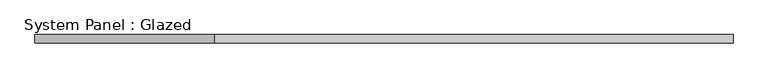
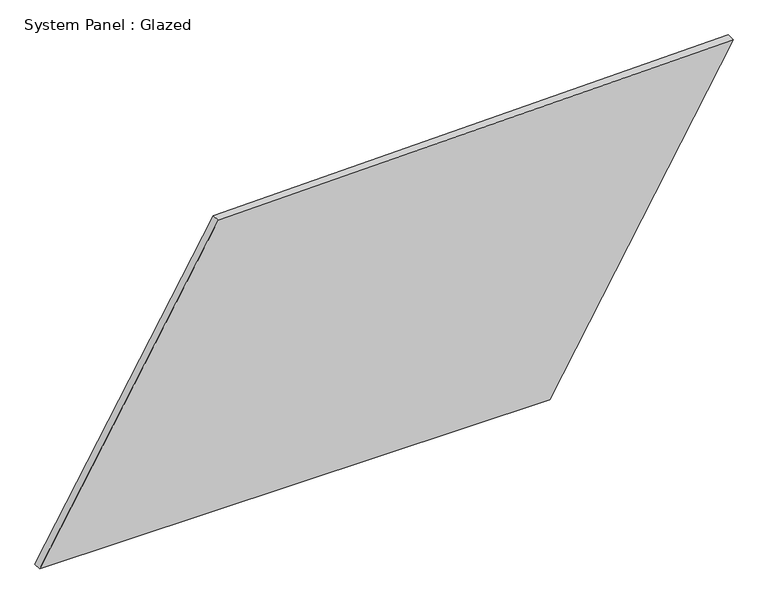
"""IFC4 building model written with IfcOpenShell, lengths in millimetres: plate geometry, System Panel : Glazed."""

import ifcopenshell
import ifcopenshell.guid

model = None  # the IFC model being written
_history = None  # IfcOwnerHistory: only IFC2X3 demands one
_inside = {}  # id of a spatial element -> (the spatial element, [elements in it])
_under = {}  # id of a project, library or spatial element -> (it, [spatial elements below it])
_declared = {}  # id of a project -> (the project, [libraries it declares])
_typed = {}  # id of a type object -> (the type object, [elements of that type])
_made_of = {}  # id of a material, layer set ... -> (it, [elements and type objects made of it])


def new_model(schema):
    """Start an empty IFC model of exactly this schema.

    Asked for "IFC4X3", IfcOpenShell would pick the latest addendum, in which some entities
    have other attributes; the version numbers below select the first issue.
    IFC2X3 requires an IfcOwnerHistory on every rooted entity: one is made here for all.
    """
    global model, _history
    if schema == "IFC4X3":
        model = ifcopenshell.file(schema_version=(4, 3, 0, 0))
    else:
        model = ifcopenshell.file(schema=schema)
    _inside.clear()
    _under.clear()
    _declared.clear()
    _typed.clear()
    _made_of.clear()
    _history = None
    if model.schema == "IFC2X3":
        org = make("IfcOrganization", Name="unknown")
        user = make(
            "IfcPersonAndOrganization",
            ThePerson=make("IfcPerson", FamilyName="unknown"),
            TheOrganization=org,
        )
        app = make(
            "IfcApplication",
            ApplicationDeveloper=org,
            Version="unknown",
            ApplicationFullName="unknown",
            ApplicationIdentifier="unknown",
        )
        _history = make(
            "IfcOwnerHistory",
            OwningUser=user,
            OwningApplication=app,
            ChangeAction="ADDED",
            CreationDate=0,
        )
    return model


def make(cls, **values):
    """One entity of the class cls with the attributes given. An attribute that is None is left unset."""
    return model.create_entity(
        cls, **{name: value for name, value in values.items() if value is not None}
    )


def rooted(cls, **values):
    """An entity with a GlobalId (a new one), such as an element, a storey or a relation."""
    return make(cls, GlobalId=ifcopenshell.guid.new(), OwnerHistory=_history, **values)


def si_unit(unit_type, name, prefix=None):
    """IfcSIUnit, for example si_unit("LENGTHUNIT", "METRE", prefix="MILLI")."""
    return make("IfcSIUnit", UnitType=unit_type, Prefix=prefix, Name=name)


def assignment(units):
    """IfcUnitAssignment: the units of a project."""
    return None if units is None else make("IfcUnitAssignment", Units=units)


def point(xyz):
    """IfcCartesianPoint."""
    return None if xyz is None else make("IfcCartesianPoint", Coordinates=xyz)


def direction(xyz):
    """IfcDirection."""
    return None if xyz is None else make("IfcDirection", DirectionRatios=xyz)


def frame(location, z_axis=None, x_axis=None):
    """IfcAxis2Placement3D, a coordinate frame: its origin and axes. An axis left out is left unset."""
    return make(
        "IfcAxis2Placement3D",
        Location=point(location),
        Axis=direction(z_axis),
        RefDirection=direction(x_axis),
    )


def origin():
    """The frame at (0, 0, 0) with its axes left unset."""
    return frame((0.0, 0.0, 0.0))


def place(relative_to, where):
    """IfcLocalPlacement: puts the frame where relative to a parent placement (None: the world)."""
    return make(
        "IfcLocalPlacement", PlacementRelTo=relative_to, RelativePlacement=where
    )


def context(
    kind, dimensions, precision=None, world=None, true_north=None, identifier=None
):
    """IfcGeometricRepresentationContext, for example the 3D "Model" context."""
    return make(
        "IfcGeometricRepresentationContext",
        ContextIdentifier=identifier,
        ContextType=kind,
        CoordinateSpaceDimension=dimensions,
        Precision=precision,
        WorldCoordinateSystem=world,
        TrueNorth=true_north,
    )


def project(units=None, contexts=None):
    """IfcProject with its units and contexts."""
    return rooted(
        "IfcProject",
        Name="project",
        RepresentationContexts=contexts,
        UnitsInContext=assignment(units),
    )


def spatial(cls, under=None, at=None, **own):
    """A site, building, storey or space (cls), placed at a placement, below another one or the project."""
    s = rooted(cls, ObjectPlacement=at, **own)
    if under is not None:
        _under.setdefault(under.id(), (under, []))[1].append(s)
    return s


def polyline(points):
    """IfcPolyline through the points."""
    return make("IfcPolyline", Points=[point(p) for p in points])


def outline(outer, holes=None, kind="AREA"):
    """IfcArbitraryClosedProfileDef: a profile drawn as a closed curve; with holes, ...WithVoids."""
    if holes is None:
        return make("IfcArbitraryClosedProfileDef", ProfileType=kind, OuterCurve=outer)
    return make(
        "IfcArbitraryProfileDefWithVoids",
        ProfileType=kind,
        OuterCurve=outer,
        InnerCurves=holes,
    )


def extrude(swept, where, along, depth):
    """IfcExtrudedAreaSolid: the profile swept, set in the frame where, extruded along a direction by depth."""
    return make(
        "IfcExtrudedAreaSolid",
        SweptArea=swept,
        Position=where,
        ExtrudedDirection=direction(along),
        Depth=depth,
    )


def shape(context_of_items, identifier, shape_type, items):
    """IfcShapeRepresentation: the items that make up one representation, for example the "Body"."""
    return make(
        "IfcShapeRepresentation",
        ContextOfItems=context_of_items,
        RepresentationIdentifier=identifier,
        RepresentationType=shape_type,
        Items=items,
    )


def source(mapping_origin, context_of_items, identifier, shape_type, items):
    """IfcRepresentationMap: a shape defined once, which mapped items show again and again."""
    return make(
        "IfcRepresentationMap",
        MappingOrigin=mapping_origin,
        MappedRepresentation=shape(context_of_items, identifier, shape_type, items),
    )


def transform(
    local_origin,
    x_axis=None,
    y_axis=None,
    z_axis=None,
    scale=None,
    scale2=None,
    scale3=None,
    uniform=True,
):
    """IfcCartesianTransformationOperator3D, or its non-uniform kind. x_axis, y_axis, z_axis: its Axis1, 2, 3."""
    if uniform:
        return make(
            "IfcCartesianTransformationOperator3D",
            Axis1=direction(x_axis),
            Axis2=direction(y_axis),
            LocalOrigin=point(local_origin),
            Scale=scale,
            Axis3=direction(z_axis),
        )
    return make(
        "IfcCartesianTransformationOperator3DnonUniform",
        Axis1=direction(x_axis),
        Axis2=direction(y_axis),
        LocalOrigin=point(local_origin),
        Scale=scale,
        Axis3=direction(z_axis),
        Scale2=scale2,
        Scale3=scale3,
    )


def mapped(mapping_source, mapping_target):
    """IfcMappedItem: shows the shape of a source again, moved by a transform."""
    return make(
        "IfcMappedItem", MappingSource=mapping_source, MappingTarget=mapping_target
    )


def made_of(thing, what):
    """Note that an element or type object is made of a material, layer set ...; save() writes the relation."""
    if what is not None:
        _made_of.setdefault(what.id(), (what, []))[1].append(thing)
    return thing


def element(
    cls,
    number,
    at=None,
    inside=None,
    cuts=None,
    type_object=None,
    material=None,
    context=None,
    identifier="Body",
    shape_type=None,
    held_by="IfcProductDefinitionShape",
    body=None,
    shapes=None,
    **own,
):
    """One element of the class cls, such as IfcWall. Its Tag is "e" and its number.

    at: its placement. inside: the storey or other place that contains it. cuts: it is an
    opening in that element (IfcRelVoidsElement). A single representation is given by context,
    identifier, shape_type and body (its items); several are given by shapes. held_by: the class
    of the entity that holds the representations. save() writes the other relations.
    """
    e = rooted(cls, Tag="e%d" % number, ObjectPlacement=at, **own)
    if body is not None:
        shapes = [shape(context, identifier, shape_type, body)]
    if shapes is not None:
        e.Representation = make(held_by, Representations=shapes)
    if inside is not None:
        _inside.setdefault(inside.id(), (inside, []))[1].append(e)
    if cuts is not None:
        rooted(
            "IfcRelVoidsElement", RelatingBuildingElement=cuts, RelatedOpeningElement=e
        )
    if type_object is not None:
        _typed.setdefault(type_object.id(), (type_object, []))[1].append(e)
    return made_of(e, material)


def aggregate(whole, parts):
    """IfcRelAggregates: a whole, such as a stair, and the parts it consists of."""
    return rooted("IfcRelAggregates", RelatingObject=whole, RelatedObjects=parts)


def save(model, path):
    """Write the relations noted so far, then the file.

    IfcRelAggregates (storeys below a building ...), IfcRelContainedInSpatialStructure (elements
    in a storey), IfcRelDefinesByType, IfcRelAssociatesMaterial and IfcRelDeclares: one each for
    every whole, place, type object, material and project.
    """
    for whole, parts in _under.values():
        aggregate(whole, parts)
    for where, things in _inside.values():
        rooted(
            "IfcRelContainedInSpatialStructure",
            RelatedElements=things,
            RelatingStructure=where,
        )
    for kind, things in _typed.values():
        rooted("IfcRelDefinesByType", RelatedObjects=things, RelatingType=kind)
    for what, things in _made_of.values():
        rooted("IfcRelAssociatesMaterial", RelatedObjects=things, RelatingMaterial=what)
    for by, libraries in _declared.values():
        rooted("IfcRelDeclares", RelatingContext=by, RelatedDefinitions=libraries)
    model.write(path)


def system_panel_glazed_bf83d7b9(model_context):
    return source(origin(), model_context, "Body", "SweptSolid", [
        extrude(outline(polyline([(0.0, -1056.2475892), (0.0, 498.1173147), (964.4654107, 1056.2475892), (931.5386511, -512.3602099), (0.0, -1056.2475892)])), frame((0.0, -49.5, 0.0), z_axis=(0.0, 1.0, 0.0), x_axis=(0.0, 0.0, 1.0)), (0.0, 0.0, 1.0), 25.0),
    ])


if __name__ == "__main__":
    model = new_model("IFC4")
    model_context = context("Model", 3, world=origin())
    ifc_project = project(units=[si_unit("LENGTHUNIT", "METRE", prefix="MILLI")], contexts=[model_context])
    site = spatial("IfcSite", under=ifc_project)
    building = spatial("IfcBuilding", under=site)
    placement = place(None, origin())
    system_panel_glazed_shape = system_panel_glazed_bf83d7b9(model_context)
    element("IfcPlate", 1, ObjectType="System Panel : Glazed", at=placement, inside=building, context=model_context, shape_type="MappedRepresentation", body=[
        mapped(system_panel_glazed_shape, transform((0.0, 0.0, 0.0), x_axis=(1.0, 0.0, 0.0), y_axis=(0.0, 1.0, 0.0), z_axis=(0.0, 0.0, 1.0))),
    ])
    save(model, "model.ifc")
